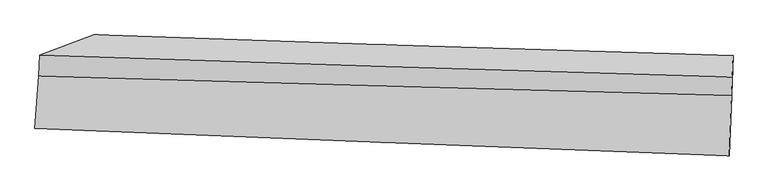
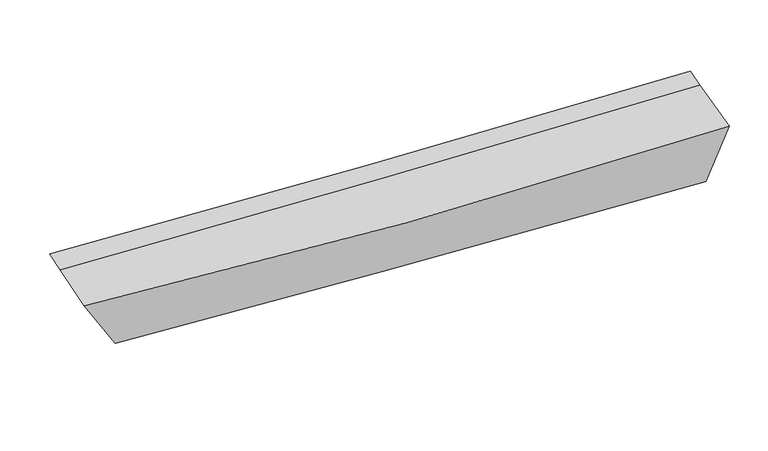
"""IFC4 building model written with IfcOpenShell, lengths in millimetres: proxy geometry."""

from ifc_helpers import new_model, si_unit, frame, origin, place, context, project, spatial, source, transform, mapped, element, save
from ifc_brep_helpers import plane_surface, spline_curve, spline_surface, advanced_brep


def generic_models_a47488aa(model_context):
    return source(origin(), model_context, "Body", "AdvancedBrep", [
        advanced_brep(
        [(-2291.6597464, -1961.465685, 3465.4712542), (-2322.2395445, -2364.7801514, 3394.304816), (3043.7390829, -2577.4302904, 3264.380832), (3059.7422755, -2112.7333348, 3346.0548811), (-1881.0324869, -2062.0559036, 2721.0334277), (3058.1020612, -2206.0308042, 2533.4525684), (-1863.8319824, -1640.8806572, 2820.9499663), (3071.8367953, -1801.0130862, 2712.5849062), (-2286.0130359, -1796.8098297, 3506.4054726), (3064.73166, -1967.2448449, 3382.2240026)],
        [
            (0, 1),
            (1, 2, spline_curve(3, [(-2322.2395445, -2364.7801514, 3394.304816), (-1392.019907988, -2403.843539723, 3334.752744922), (-495.661848133, -2440.507803418, 3293.819727652), (1298.660195807, -2511.792376581, 3247.398161888), (2190.961678163, -2546.011492718, 3245.023184791), (3043.7390829, -2577.4302904, 3264.380832)], [4, 2, 4], [0.0, 8.458793773352442, 17.59752117743256])),
            (2, 3),
            (3, 0, spline_curve(3, [(3059.7422755, -2112.7333348, 3346.0548811), (2203.973965422, -2089.549714888, 3354.80559733), (1311.545210691, -2064.807218898, 3369.747123425), (-477.507700163, -2014.161333567, 3410.439520531), (-1368.879619294, -1988.48127933, 3435.303452306), (-2291.6597464, -1961.465685, 3465.4712542)], [4, 2, 4], [0.0, 9.13872740408012, 17.59752117743256])),
            (1, 4),
            (4, 5, spline_curve(3, [(-1881.0324869, -2062.0559036, 2721.0334277), (-1190.937810774, -2101.350501234, 2702.502754155), (-452.155916154, -2132.845601885, 2678.432307482), (1186.080547385, -2182.141506166, 2616.831742773), (2093.676835576, -2198.638039071, 2578.375236394), (3058.1020612, -2206.0308042, 2533.4525684)], [4, 2, 4], [0.0, 8.135044354488041, 16.923998757179746])),
            (5, 2),
            (4, 6),
            (6, 7, spline_curve(3, [(-1863.8319824, -1640.8806572, 2820.9499663), (-1175.083141534, -1666.054086642, 2788.515501637), (-437.267091406, -1691.460217908, 2763.325599631), (1199.750571579, -1744.798780723, 2725.992441101), (2107.157447406, -1772.770125774, 2715.060656442), (3071.8367953, -1801.0130862, 2712.5849062)], [4, 2, 4], [0.0, 7.793908094044898, 16.214305066993095])),
            (7, 5),
            (6, 8),
            (8, 9, spline_curve(3, [(-2286.0130359, -1796.8098297, 3506.4054726), (-1363.450588227, -1830.172870221, 3474.659665841), (-472.242340281, -1860.625507358, 3448.609247604), (1316.582430526, -1917.923871411, 3406.263012918), (2208.955747513, -1944.282905734, 3390.919607765), (3064.73166, -1967.2448449, 3382.2240026)], [4, 2, 4], [0.0, 8.117638185924019, 16.8877872797362])),
            (9, 7),
            (8, 0),
            (3, 9),
        ],
        [
            spline_surface(3, 3, [[(-2291.6597464, -1961.465685, 3465.4712542), (-1368.879619376, -1988.481279296, 3435.30345228), (-477.50770013, -2014.161333432, 3410.439520604), (1311.545210656, -2064.807219045, 3369.747123346), (2203.973965419, -2089.549714812, 3354.80559729), (3059.7422755, -2112.7333348, 3346.0548811)], [(-2301.853012461, -2095.903840455, 3441.749108139), (-1376.593048946, -2126.935366136, 3401.786549837), (-483.559082778, -2156.27682341, 3371.566256267), (1307.250205697, -2213.802271576, 3328.96413626), (2199.636536384, -2241.703640781, 3318.211459768), (3054.40787798, -2267.63231998, 3318.830198046)], [(-2312.046278439, -2230.341995945, 3418.026962061), (-1384.306478432, -2265.389453012, 3368.269647378), (-489.610465443, -2298.392313387, 3332.692991863), (1302.955200721, -2362.797324107, 3288.181149109), (2195.299107311, -2393.85756681, 3281.617322309), (3049.07348042, -2422.53130522, 3291.605515054)], [(-2322.2395445, -2364.7801514, 3394.304816), (-1392.019908002, -2403.843539853, 3334.752744935), (-495.661848091, -2440.507803365, 3293.819727526), (1298.660195762, -2511.792376638, 3247.398162024), (2190.961678277, -2546.011492779, 3245.023184787), (3043.7390829, -2577.4302904, 3264.380832)]], [4, 4], [4, 2, 4], [0.0, 1.4887877110178898], [0.0, 8.458793773352442, 17.59752117743256]),
            spline_surface(3, 3, [[(-2322.2395445, -2364.7801514, 3394.304816), (-1392.019908002, -2403.843539853, 3334.752744935), (-495.661848091, -2440.507803365, 3293.819727526), (1298.660195762, -2511.792376638, 3247.398162024), (2190.961678277, -2546.011492779, 3245.023184787), (3043.7390829, -2577.4302904, 3264.380832)], [(-2175.170525299, -2263.872068811, 3169.881019902), (-1324.992542289, -2303.012526987, 3124.002748017), (-481.1598708, -2337.953736186, 3088.690587493), (1261.133646328, -2401.908753112, 3037.209355605), (2158.533397338, -2430.220341518, 3022.807202007), (3048.526742318, -2453.630461667, 3020.738077471)], [(-2028.101506101, -2162.963986189, 2945.457223798), (-1257.965176578, -2202.181514089, 2913.252751093), (-466.657893512, -2235.399669087, 2883.56144749), (1223.607096891, -2292.025129666, 2827.020549217), (2126.105116444, -2314.429190256, 2800.591219213), (3053.314401782, -2329.830632933, 2777.095322929)], [(-1881.0324869, -2062.0559036, 2721.0334277), (-1190.937810865, -2101.350501222, 2702.502754175), (-452.155916221, -2132.845601909, 2678.432307457), (1186.080547457, -2182.141506141, 2616.831742799), (2093.676835504, -2198.638038995, 2578.375236433), (3058.1020612, -2206.0308042, 2533.4525684)]], [4, 4], [4, 2, 4], [0.0, 2.30288711228489], [0.0, 8.135044354488041, 16.923998757179746]),
            spline_surface(3, 3, [[(-1881.0324869, -2062.0559036, 2721.0334277), (-1190.937810865, -2101.350501222, 2702.502754175), (-452.155916221, -2132.845601909, 2678.432307457), (1186.080547457, -2182.141506141, 2616.831742799), (2093.676835504, -2198.638038995, 2578.375236433), (3058.1020612, -2206.0308042, 2533.4525684)], [(-1875.29898538, -1921.664154792, 2754.338940558), (-1185.652921032, -1956.251696387, 2731.173669987), (-447.192974618, -1985.717140577, 2706.730071517), (1190.637222159, -2036.360597672, 2653.218642235), (2098.170372828, -2056.682067959, 2623.937043089), (3062.680305897, -2071.024898204, 2593.163347663)], [(-1869.56548392, -1781.272406008, 2787.644453442), (-1180.368031259, -1811.152891578, 2759.844585825), (-442.230033004, -1838.588679238, 2735.027835571), (1195.193896872, -1890.579689194, 2689.605541666), (2102.663910161, -1914.726096911, 2669.498849756), (3067.258550603, -1936.018992196, 2652.874126937)], [(-1863.8319824, -1640.8806572, 2820.9499663), (-1175.083141426, -1666.054086743, 2788.515501637), (-437.267091401, -1691.460217906, 2763.32559963), (1199.750571573, -1744.798780725, 2725.992441102), (2107.157447485, -1772.770125876, 2715.060656413), (3071.8367953, -1801.0130862, 2712.5849062)]], [4, 4], [4, 2, 4], [0.0, 1.4770382537384925], [0.0, 7.793908094044898, 16.214305066993095]),
            spline_surface(3, 3, [[(-1863.8319824, -1640.8806572, 2820.9499663), (-1175.083141426, -1666.054086743, 2788.515501637), (-437.267091401, -1691.460217906, 2763.32559963), (1199.750571573, -1744.798780725, 2725.992441102), (2107.157447485, -1772.770125876, 2715.060656413), (3071.8367953, -1801.0130862, 2712.5849062)], [(-2004.559000245, -1692.857048045, 3049.435135084), (-1237.872290394, -1720.760347922, 3017.230223026), (-448.925507651, -1747.848647762, 2991.753482268), (1238.69452453, -1802.507144267, 2952.749298389), (2141.090214198, -1829.941052541, 2940.346973569), (3069.468416878, -1856.423672446, 2935.797938336)], [(-2145.286018055, -1744.833438855, 3277.920303816), (-1300.661439327, -1775.466609064, 3245.944944362), (-460.583923928, -1804.237077587, 3220.181364915), (1277.638477459, -1860.215507777, 3179.506155687), (2175.022980877, -1887.111979167, 3165.633290716), (3067.100038422, -1911.834258654, 3159.010970464)], [(-2286.0130359, -1796.8098297, 3506.4054726), (-1363.450588295, -1830.172870243, 3474.659665751), (-472.242340178, -1860.625507443, 3448.609247552), (1316.582430416, -1917.923871319, 3406.263012974), (2208.95574759, -1944.282905832, 3390.919607873), (3064.73166, -1967.2448449, 3382.2240026)]], [4, 4], [4, 2, 4], [0.0, 2.3138669974250465], [0.0, 8.117638185924019, 16.8877872797362]),
            spline_surface(3, 3, [[(-2286.0130359, -1796.8098297, 3506.4054726), (-1363.450588295, -1830.172870243, 3474.659665751), (-472.242340178, -1860.625507443, 3448.609247552), (1316.582430416, -1917.923871319, 3406.263012974), (2208.95574759, -1944.282905832, 3390.919607873), (3064.73166, -1967.2448449, 3382.2240026)], [(-2287.895272714, -1851.695114797, 3492.760733118), (-1365.260265303, -1882.942339924, 3461.540927912), (-473.997460174, -1911.804116118, 3435.886005226), (1314.903357151, -1966.88498724, 3394.091049754), (2207.295153526, -1992.705175495, 3378.881604362), (3063.068531827, -2015.741008203, 3370.167628783)], [(-2289.777509586, -1906.580399903, 3479.115993682), (-1367.069942368, -1935.711809614, 3448.42219012), (-475.752580134, -1962.982724756, 3423.162762931), (1313.224283921, -2015.846103124, 3381.919086566), (2205.634559482, -2041.127445149, 3366.843600801), (3061.405403673, -2064.237171497, 3358.111254917)], [(-2291.6597464, -1961.465685, 3465.4712542), (-1368.879619376, -1988.481279296, 3435.30345228), (-477.50770013, -2014.161333432, 3410.439520604), (1311.545210656, -2064.807219045, 3369.747123346), (2203.973965419, -2089.549714812, 3354.80559729), (3059.7422755, -2112.7333348, 3346.0548811)]], [4, 4], [4, 2, 4], [0.0, 0.5072518188572134], [0.0, 8.444989441955427, 17.568802896716868]),
            plane_surface(frame((3059.630375, -2132.8904721, 3047.7394381), z_axis=(0.9993935999077861, -0.03476399460027158, 0.0019741182305897647), x_axis=(-0.010297297486928798, -0.24091559237399165, 0.970491444071278))),
            plane_surface(frame((-2128.9553592, -1965.1984454, 3181.6329874), z_axis=(-0.856631769895943, 0.15195056008740604, -0.49304466135844927), x_axis=(0.03326256345853763, 0.9699232660527748, 0.24112747633085127))),
        ],
        [
            (0, [[1, 2, 3, 4]]),
            (1, [[5, 6, 7, -2]]),
            (2, [[8, 9, 10, -6]]),
            (3, [[11, 12, 13, -9]]),
            (4, [[14, -4, 15, -12]]),
            (5, [[-13, -15, -3, -7, -10]]),
            (6, [[-14, -11, -8, -5, -1]]),
        ],
    ),
    ])


if __name__ == "__main__":
    model = new_model("IFC4")
    model_context = context("Model", 3, world=origin())
    ifc_project = project(units=[si_unit("LENGTHUNIT", "METRE", prefix="MILLI")], contexts=[model_context])
    site = spatial("IfcSite", under=ifc_project)
    building = spatial("IfcBuilding", under=site)
    placement = place(None, origin())
    generic_models_shape = generic_models_a47488aa(model_context)
    element("IfcBuildingElementProxy", 1, Name="Generic Models", at=placement, inside=building, context=model_context, shape_type="MappedRepresentation", body=[
        mapped(generic_models_shape, transform((0.0, 0.0, 0.0), x_axis=(1.0, 0.0, 0.0), y_axis=(0.0, 1.0, 0.0), z_axis=(0.0, 0.0, 1.0))),
    ])
    save(model, "model.ifc")
